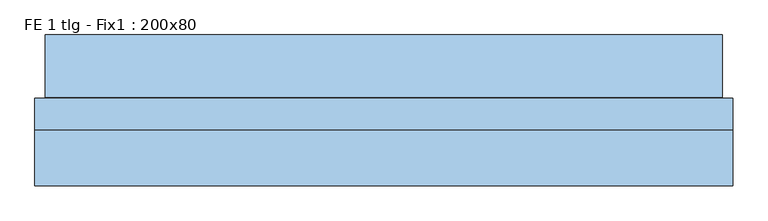
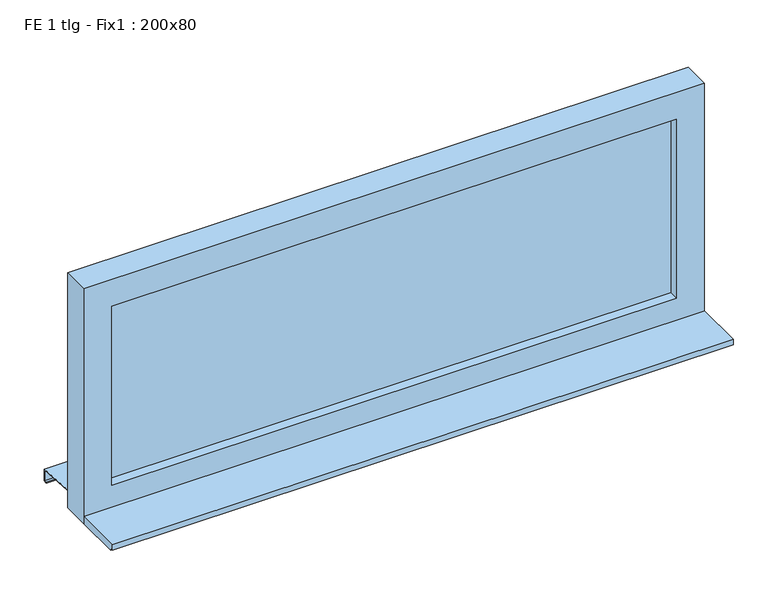
"""IFC4 building model written with IfcOpenShell, lengths in millimetres: window geometry, FE 1 tlg - Fix1 : 200x80."""

from ifc_helpers import new_model, si_unit, frame, origin, place, context, project, spatial, polyline, outline, extrude, faceted_brep, source, transform, mapped, element, save


def fe_1_tlg_fix1_200x80_8f1381f7(model_context):
    return source(origin(), model_context, "Body", "SolidModel", [
        faceted_brep([(-970.0, 307.0, 860.6252434), (-970.0, 285.0, 862.0002434), (-970.0, 127.0, 871.8752434), (970.0, 127.0, 871.8752434), (970.0, 285.0, 862.0002434), (970.0, 307.0, 860.6252434), (-970.0, 307.0, 820.6252434), (970.0, 307.0, 820.6252434), (-970.0, 295.0, 820.6252434), (970.0, 295.0, 820.6252434), (-970.0, 295.0, 822.6252434), (970.0, 295.0, 822.6252434), (-970.0, 305.0, 822.6252434), (970.0, 305.0, 822.6252434), (-970.0, 305.0, 858.75), (970.0, 305.0, 858.75), (-970.0, 285.0, 860.0), (970.0, 285.0, 860.0), (970.0, 125.0, 870.0), (-970.0, 125.0, 870.0), (-970.0, 125.0, 890.0), (970.0, 125.0, 890.0), (-970.0, 127.0, 890.0), (970.0, 127.0, 890.0)], [[[0, 1, 2, 3, 4, 5]], [[6, 0, 5, 7]], [[8, 6, 7, 9]], [[10, 8, 9, 11]], [[12, 10, 11, 13]], [[14, 12, 13, 15]], [[16, 14, 15, 17, 18, 19]], [[20, 19, 18, 21]], [[22, 20, 21, 23]], [[2, 22, 23, 3]], [[16, 1, 0, 6, 8, 10, 12, 14]], [[17, 4, 3, 23, 21, 18]], [[1, 16, 19, 20, 22, 2]], [[4, 17, 15, 13, 11, 9, 7, 5]]]),
        extrude(outline(polyline([(910.0, 110.0), (910.0, 66.0), (-910.0, 66.0), (-910.0, 110.0), (910.0, 110.0)])), frame((0.0, 0.0, 950.0), z_axis=(0.0, 0.0, 1.0), x_axis=(1.0, 0.0, 0.0)), (0.0, 0.0, 1.0), 610.0),
        extrude(outline(polyline([(1650.0, 1000.0), (1650.0, -1000.0), (850.0, -1000.0), (850.0, 1000.0), (1650.0, 1000.0)]), holes=[polyline([(1560.0, -910.0), (1560.0, 910.0), (950.0, 910.0), (950.0, -910.0), (1560.0, -910.0)])]), frame((0.0, 35.0, 0.0), z_axis=(0.0, 1.0, 0.0), x_axis=(0.0, 0.0, 1.0)), (0.0, 0.0, 1.0), 90.0),
        extrude(outline(polyline([(-125.0, 875.0), (35.0, 875.0), (35.0, 850.0), (-115.0, 850.0), (-115.0, 857.0), (-125.0, 857.0), (-125.0, 875.0)])), frame((-1000.0, 0.0, 0.0), z_axis=(1.0, 0.0, 0.0), x_axis=(0.0, 1.0, 0.0)), (0.0, 0.0, 1.0), 2000.0),
    ])


if __name__ == "__main__":
    model = new_model("IFC4")
    model_context = context("Model", 3, world=origin())
    ifc_project = project(units=[si_unit("LENGTHUNIT", "METRE", prefix="MILLI")], contexts=[model_context])
    site = spatial("IfcSite", under=ifc_project)
    building = spatial("IfcBuilding", under=site)
    placement = place(None, origin())
    fe_1_tlg_fix1_200x80_shape = fe_1_tlg_fix1_200x80_8f1381f7(model_context)
    element("IfcWindow", 1, ObjectType="FE 1 tlg - Fix1 : 200x80", at=placement, inside=building, context=model_context, shape_type="MappedRepresentation", body=[
        mapped(fe_1_tlg_fix1_200x80_shape, transform((0.0, 0.0, 0.0), x_axis=(1.0, 0.0, 0.0), y_axis=(0.0, 1.0, 0.0), z_axis=(0.0, 0.0, 1.0))),
    ])
    save(model, "model.ifc")
